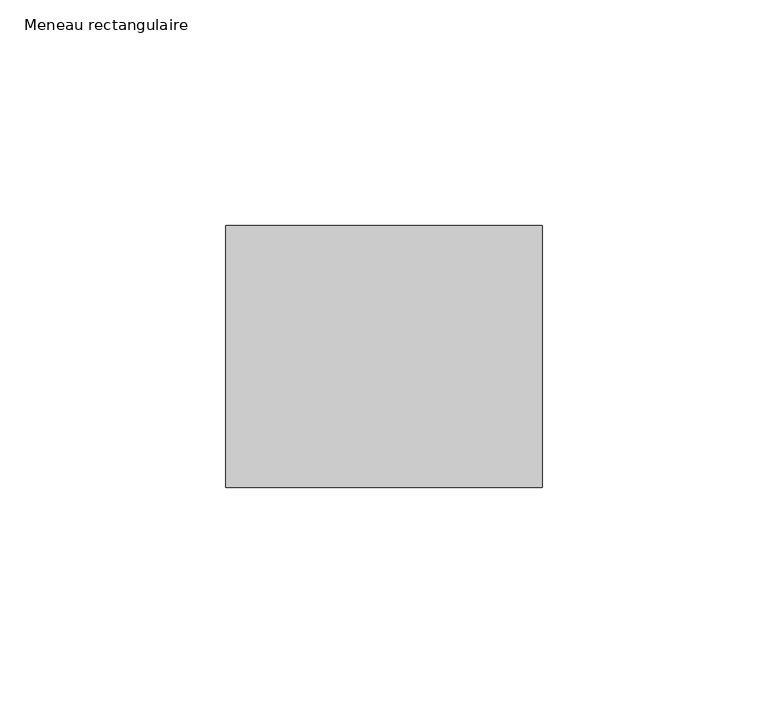
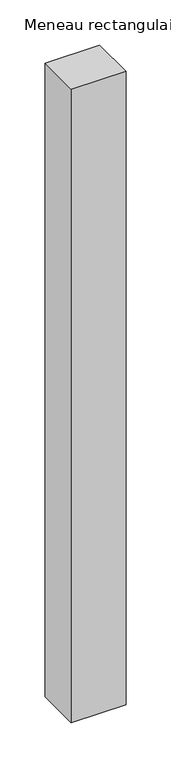
"""IFC4 building model written with IfcOpenShell, lengths in millimetres: member geometry, Meneau rectangulaire."""

from ifc_helpers import new_model, si_unit, frame, origin, place, context, project, spatial, polyline, outline, extrude, source, transform, mapped, element, save


def meneau_rectangulaire_88e910e1(model_context):
    return source(origin(), model_context, "Body", "SweptSolid", [
        extrude(outline(polyline([(0.0, 29.0), (0.0, -29.0), (-70.0, -29.0), (-70.0, 29.0), (0.0, 29.0)])), frame((0.0, 0.0, -856.7695155), z_axis=(0.0, 0.0, 1.0), x_axis=(1.0, 0.0, 0.0)), (0.0, 0.0, 1.0), 856.7695155),
    ])


if __name__ == "__main__":
    model = new_model("IFC4")
    model_context = context("Model", 3, world=origin())
    ifc_project = project(units=[si_unit("LENGTHUNIT", "METRE", prefix="MILLI")], contexts=[model_context])
    site = spatial("IfcSite", under=ifc_project)
    building = spatial("IfcBuilding", under=site)
    placement = place(None, origin())
    meneau_rectangulaire_shape = meneau_rectangulaire_88e910e1(model_context)
    element("IfcMember", 1, ObjectType="Meneau rectangulaire", at=placement, inside=building, context=model_context, shape_type="MappedRepresentation", body=[
        mapped(meneau_rectangulaire_shape, transform((0.0, 0.0, 0.0), x_axis=(1.0, 0.0, 0.0), y_axis=(0.0, 1.0, 0.0), z_axis=(0.0, 0.0, 1.0))),
    ])
    save(model, "model.ifc")
